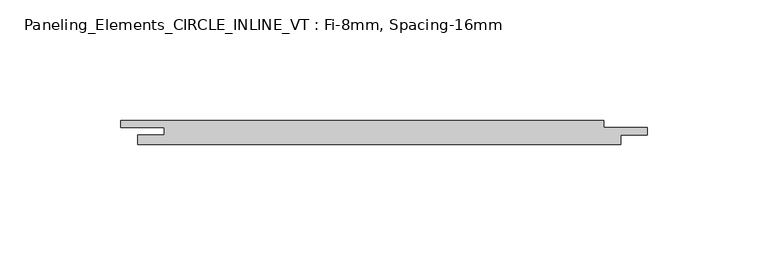
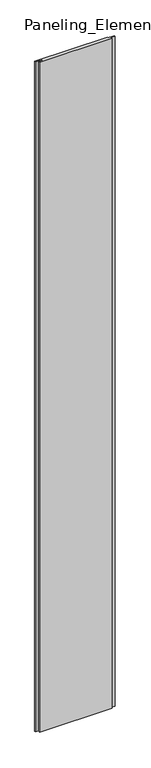
"""IFC4 building model written with IfcOpenShell, lengths in millimetres: plate geometry, Paneling_Elements_CIRCLE_INLINE_VT : Fi-8mm, Spacing-16mm."""

from ifc_helpers import new_model, si_unit, origin, origin_with_axes, place, context, project, spatial, polyline, outline, extrude, source, transform, mapped, element, save


def paneling_elements_circle_inline_vt_fi_8mm_spacing_16mm_9fd7be0b(model_context):
    return source(origin(), model_context, "Body", "SweptSolid", [
        extrude(outline(polyline([(93.0, 5.0), (93.0, 2.0), (111.0, 2.0), (111.0, -1.0), (100.0, -1.0), (100.0, -5.0), (-100.0, -5.0), (-100.0, -1.0), (-89.0, -1.0), (-89.0, 2.0), (-107.0, 2.0), (-107.0, 5.0), (93.0, 5.0)])), origin_with_axes(), (0.0, 0.0, 1.0), 1951.0),
    ])


if __name__ == "__main__":
    model = new_model("IFC4")
    model_context = context("Model", 3, world=origin())
    ifc_project = project(units=[si_unit("LENGTHUNIT", "METRE", prefix="MILLI")], contexts=[model_context])
    site = spatial("IfcSite", under=ifc_project)
    building = spatial("IfcBuilding", under=site)
    placement = place(None, origin())
    paneling_elements_circle_inline_vt_fi_8mm_spacing_16mm_shape = paneling_elements_circle_inline_vt_fi_8mm_spacing_16mm_9fd7be0b(model_context)
    element("IfcPlate", 1, ObjectType="Paneling_Elements_CIRCLE_INLINE_VT : Fi-8mm, Spacing-16mm", at=placement, inside=building, context=model_context, shape_type="MappedRepresentation", body=[
        mapped(paneling_elements_circle_inline_vt_fi_8mm_spacing_16mm_shape, transform((0.0, 0.0, 0.0), x_axis=(1.0, 0.0, 0.0), y_axis=(0.0, 1.0, 0.0), z_axis=(0.0, 0.0, 1.0))),
    ])
    save(model, "model.ifc")
